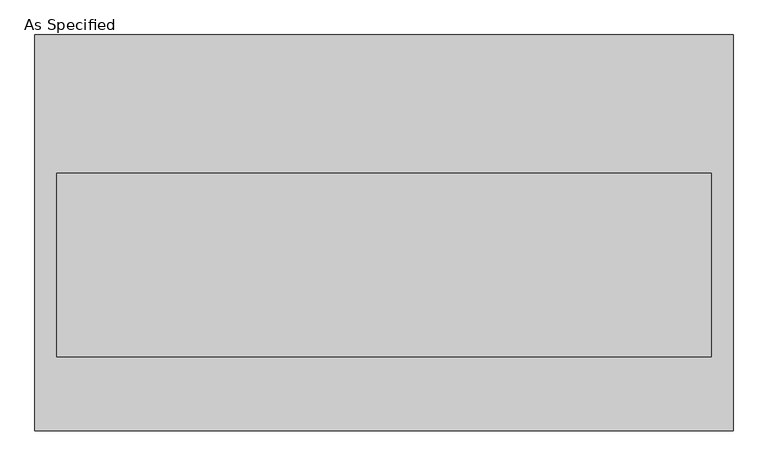
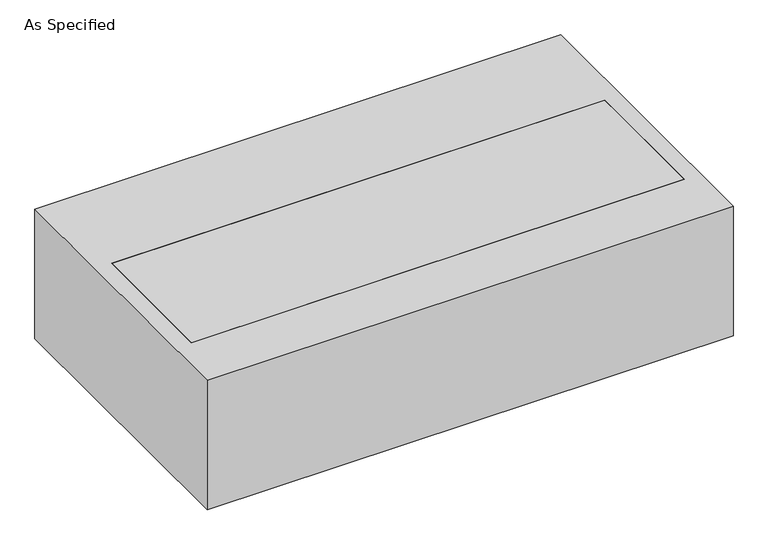
"""IFC4 building model written with IfcOpenShell, lengths in millimetres: proxy geometry, As Specified."""

from ifc_helpers import new_model, si_unit, frame, origin, place, context, project, spatial, polyline, outline, extrude, faceted_brep, source, transform, mapped, element, save


def as_specified_48f01b3f(model_context):
    return source(origin(), model_context, "Body", "SolidModel", [
        faceted_brep([(-968.375, 549.275, -25.4), (-968.375, 549.275, -530.225), (-968.375, -549.275, -530.225), (-968.375, -549.275, -25.4), (-908.05, 165.1, -25.4), (-908.05, -342.9, -25.4), (-908.05, -342.9, -373.0625), (-908.05, 165.1, -373.0625), (968.375, 549.275, -25.4), (968.375, -549.275, -25.4), (908.05, 165.1, -25.4), (908.05, -342.9, -25.4), (968.375, -549.275, -530.225), (968.375, 549.275, -530.225), (908.05, 165.1, -373.0625), (908.05, -342.9, -373.0625)], [[[0, 1, 2, 3]], [[4, 5, 6, 7]], [[8, 0, 3, 9], [5, 4, 10, 11]], [[8, 9, 12, 13]], [[12, 9, 3, 2]], [[13, 12, 2, 1]], [[8, 13, 1, 0]], [[4, 7, 14, 10]], [[7, 6, 15, 14]], [[6, 5, 11, 15]], [[11, 10, 14, 15]]]),
        extrude(outline(polyline([(908.05, 165.1), (908.05, -342.9), (-908.05, -342.9), (-908.05, 165.1), (908.05, 165.1)])), frame((0.0, 0.0, -373.0625), z_axis=(0.0, 0.0, 1.0), x_axis=(1.0, 0.0, 0.0)), (0.0, 0.0, 1.0), 347.6625),
    ])


if __name__ == "__main__":
    model = new_model("IFC4")
    model_context = context("Model", 3, world=origin())
    ifc_project = project(units=[si_unit("LENGTHUNIT", "METRE", prefix="MILLI")], contexts=[model_context])
    site = spatial("IfcSite", under=ifc_project)
    building = spatial("IfcBuilding", under=site)
    placement = place(None, origin())
    as_specified_shape = as_specified_48f01b3f(model_context)
    element("IfcBuildingElementProxy", 1, Name="As Specified", ObjectType="As Specified", at=placement, inside=building, context=model_context, shape_type="MappedRepresentation", body=[
        mapped(as_specified_shape, transform((0.0, 0.0, 0.0), x_axis=(1.0, 0.0, 0.0), y_axis=(0.0, 1.0, 0.0), z_axis=(0.0, 0.0, 1.0))),
    ])
    save(model, "model.ifc")
